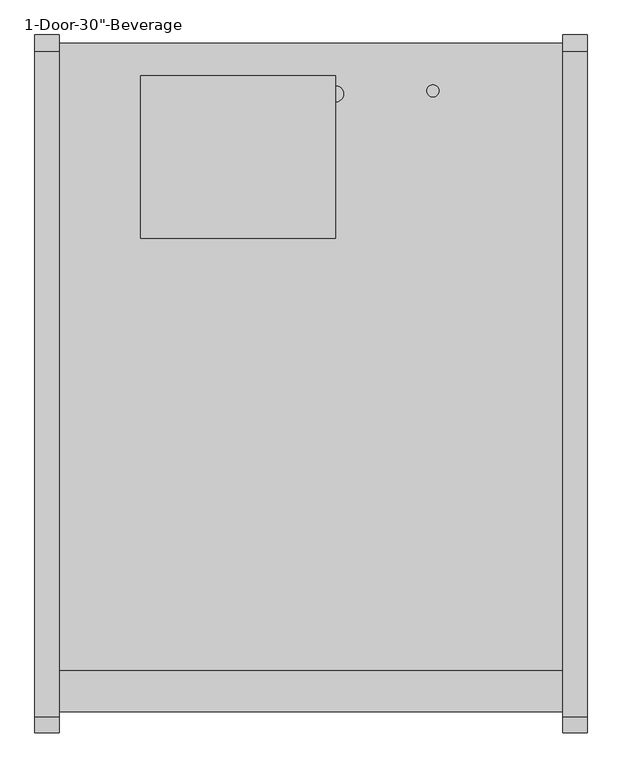
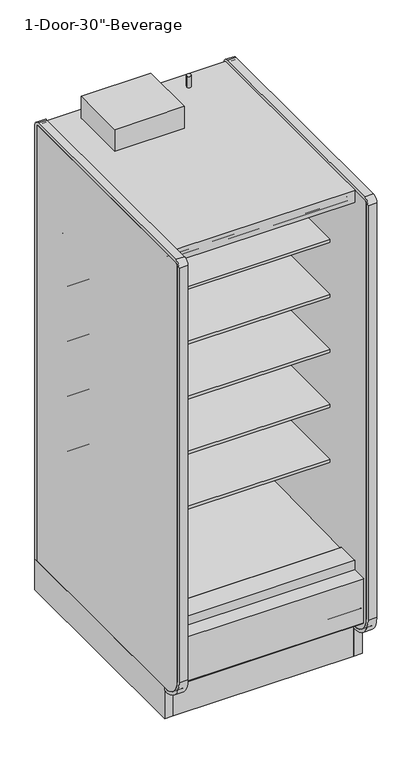
"""IFC4 building model written with IfcOpenShell, lengths in millimetres: proxy geometry."""

from ifc_helpers import new_model, si_unit, point, frame, frame_2d, origin, origin_with_axes, place, context, project, spatial, polyline, circle_curve, trimmed, segment, composite_curve, outline, extrude, source, transform, mapped, element, save
from ifc_brep_helpers import plane_surface, cylinder_surface, revolved_surface, advanced_brep


def proxy_6c9ef37e(model_context):
    return source(origin(), model_context, "Body", "SolidModel", [
        extrude(outline(polyline([(-1318.106026, 207.2507391), (-1305.4059832, 196.5941379), (-1305.4059832, 0.4239338), (-1318.106026, 0.4239338), (-1318.106026, 207.2507391)])), frame((0.0, 0.0, 0.0), z_axis=(1.0, 0.0, 0.0), x_axis=(0.0, 1.0, 0.0)), (0.0, 0.0, 1.0), 787.4),
        extrude(outline(polyline([(0.0, -76.2), (0.0, 0.0), (304.8, 0.0), (304.8, -76.2), (0.0, -76.2)])), frame((304.8, -1257.8018226, 2069.9402149), z_axis=(0.0, 0.07985742909739812, 0.9968062956351922), x_axis=(-1.0, 0.0, 0.0)), (0.0, 0.0, 1.0), 12.7),
        extrude(outline(composite_curve([segment(polyline([(-1139.652044, 788.1304004), (-1139.652044, 801.6241504), (-453.852044, 801.6241504), (-453.852044, 700.8188557), (-465.2157046, 700.5975577)]), True, "CONTINUOUS"), segment(trimmed(circle_curve(frame_2d((-465.7036503, 725.6535856)), 25.0607786), [point((-465.2157046, 700.5975577))], [point((-481.6109729, 706.2886764))], False, "CARTESIAN"), True, "CONTINUOUS"), segment(polyline([(-481.6109729, 706.2886764), (-519.8326735, 737.3719449)]), True, "CONTINUOUS"), segment(trimmed(circle_curve(frame_2d((-559.8971466, 688.1064601)), 63.5), [point((-519.8326735, 737.3719449))], [point((-553.0441372, 751.2355839))], True, "CARTESIAN"), True, "CONTINUOUS"), segment(polyline([(-553.0441372, 751.2355839), (-968.6518104, 783.846074), (-968.6518104, 788.1304004), (-1139.652044, 788.1304004)]), True, "CONTINUOUS")], self_intersect=False)), frame((0.0, 0.0, 0.0), z_axis=(1.0, 0.0, 0.0), x_axis=(0.0, 1.0, 0.0)), (0.0, 0.0, 1.0), 787.4),
        extrude(outline(composite_curve([segment(polyline([(-1139.652044, 1042.1304004), (-1139.652044, 1055.6241504), (-453.852044, 1055.6241504), (-453.852044, 954.8188557), (-465.2157046, 954.5975577)]), True, "CONTINUOUS"), segment(trimmed(circle_curve(frame_2d((-465.7036503, 979.6535856)), 25.0607786), [point((-465.2157046, 954.5975577))], [point((-481.6109729, 960.2886764))], False, "CARTESIAN"), True, "CONTINUOUS"), segment(polyline([(-481.6109729, 960.2886764), (-519.8326735, 991.3719449)]), True, "CONTINUOUS"), segment(trimmed(circle_curve(frame_2d((-559.8971466, 942.1064601)), 63.5), [point((-519.8326735, 991.3719449))], [point((-553.0441372, 1005.2355839))], True, "CARTESIAN"), True, "CONTINUOUS"), segment(polyline([(-553.0441372, 1005.2355839), (-968.6518104, 1037.846074), (-968.6518104, 1042.1304004), (-1139.652044, 1042.1304004)]), True, "CONTINUOUS")], self_intersect=False)), frame((0.0, 0.0, 0.0), z_axis=(1.0, 0.0, 0.0), x_axis=(0.0, 1.0, 0.0)), (0.0, 0.0, 1.0), 787.4),
        extrude(outline(composite_curve([segment(polyline([(-1139.652044, 1296.1304004), (-1139.652044, 1309.6241504), (-453.852044, 1309.6241504), (-453.852044, 1208.8188557), (-465.2157046, 1208.5975577)]), True, "CONTINUOUS"), segment(trimmed(circle_curve(frame_2d((-465.7036503, 1233.6535856)), 25.0607786), [point((-465.2157046, 1208.5975577))], [point((-481.6109729, 1214.2886764))], False, "CARTESIAN"), True, "CONTINUOUS"), segment(polyline([(-481.6109729, 1214.2886764), (-519.8326735, 1245.3719449)]), True, "CONTINUOUS"), segment(trimmed(circle_curve(frame_2d((-559.8971466, 1196.1064601)), 63.5), [point((-519.8326735, 1245.3719449))], [point((-553.0441372, 1259.2355839))], True, "CARTESIAN"), True, "CONTINUOUS"), segment(polyline([(-553.0441372, 1259.2355839), (-968.6518104, 1291.846074), (-968.6518104, 1296.1304004), (-1139.652044, 1296.1304004)]), True, "CONTINUOUS")], self_intersect=False)), frame((0.0, 0.0, 0.0), z_axis=(1.0, 0.0, 0.0), x_axis=(0.0, 1.0, 0.0)), (0.0, 0.0, 1.0), 787.4),
        extrude(outline(composite_curve([segment(polyline([(-1139.652044, 1550.1304004), (-1139.652044, 1563.6241504), (-453.852044, 1563.6241504), (-453.852044, 1462.8188557), (-465.2157046, 1462.5975577)]), True, "CONTINUOUS"), segment(trimmed(circle_curve(frame_2d((-465.7036503, 1487.6535856)), 25.0607786), [point((-465.2157046, 1462.5975577))], [point((-481.6109729, 1468.2886764))], False, "CARTESIAN"), True, "CONTINUOUS"), segment(polyline([(-481.6109729, 1468.2886764), (-519.8326735, 1499.3719449)]), True, "CONTINUOUS"), segment(trimmed(circle_curve(frame_2d((-559.8971466, 1450.1064601)), 63.5), [point((-519.8326735, 1499.3719449))], [point((-553.0441372, 1513.2355839))], True, "CARTESIAN"), True, "CONTINUOUS"), segment(polyline([(-553.0441372, 1513.2355839), (-968.6518104, 1545.846074), (-968.6518104, 1550.1304004), (-1139.652044, 1550.1304004)]), True, "CONTINUOUS")], self_intersect=False)), frame((0.0, 0.0, 0.0), z_axis=(1.0, 0.0, 0.0), x_axis=(0.0, 1.0, 0.0)), (0.0, 0.0, 1.0), 787.4),
        extrude(outline(composite_curve([segment(polyline([(-1179.8089716, 2076.7249354), (-1179.8089716, 2078.925392), (-1258.0451873, 2084.3962012), (-1258.0451873, 2075.9223079)]), True, "CONTINUOUS"), segment(trimmed(circle_curve(frame_2d((-1260.5851873, 2075.9223079)), 2.54), [point((-1258.0451873, 2075.9223079))], [point((-1260.5851873, 2073.3823079))], False, "CARTESIAN"), True, "CONTINUOUS"), segment(polyline([(-1260.5851873, 2073.3823079), (-1269.8053873, 2073.3823079)]), True, "CONTINUOUS"), segment(trimmed(circle_curve(frame_2d((-1269.8053873, 2075.9223079)), 2.54), [point((-1269.8053873, 2073.3823079))], [point((-1272.3453873, 2075.9223079))], False, "CARTESIAN"), True, "CONTINUOUS"), segment(polyline([(-1272.3453873, 2075.9223079), (-1272.3453873, 2092.9469554)]), True, "CONTINUOUS"), segment(trimmed(circle_curve(frame_2d((-1274.8853873, 2092.9469554)), 2.54), [point((-1272.3453873, 2092.9469554))], [point((-1274.8853873, 2095.4869554))], True, "CARTESIAN"), True, "CONTINUOUS"), segment(polyline([(-1274.8853873, 2095.4869554), (-1288.8553873, 2095.4869554)]), True, "CONTINUOUS"), segment(trimmed(circle_curve(frame_2d((-1288.8553873, 2098.0269554)), 2.54), [point((-1288.8553873, 2095.4869554))], [point((-1291.3953873, 2098.0269554))], False, "CARTESIAN"), True, "CONTINUOUS"), segment(polyline([(-1291.3953873, 2098.0269554), (-1291.3953873, 2102.7701079), (-402.3474764, 2102.7701079), (-402.3474764, 418.2554484), (-453.852044, 418.2554484), (-453.852044, 2076.7249354), (-1179.8089716, 2076.7249354)]), True, "CONTINUOUS")], self_intersect=False)), frame((0.0, 0.0, 0.0), z_axis=(1.0, 0.0, 0.0), x_axis=(0.0, 1.0, 0.0)), (0.0, 0.0, 1.0), 787.4),
        advanced_brep(
        [(787.4, -1318.106026, 204.9450868), (787.4, -1318.106026, 0.0), (787.4, -1156.1809832, 0.0), (787.4, -1156.1809832, 130.5306), (787.4, -1226.6745247, 130.5306), (787.4, -1377.1737273, 256.8144254), (787.4, -1377.1737273, 391.9982), (787.4, -1326.8776974, 391.9982), (787.4, -1326.8776974, 404.6728), (787.4, -1393.9631273, 404.6728), (787.4, -1393.9631273, 201.3982889), (787.4, -1384.4389382, 195.8985595), (787.4, -1339.6997646, 221.7199387), (0.0, -1318.106026, 204.9450868), (0.0, -1339.6997646, 221.7199387), (0.0, -1384.4389382, 195.8985595), (0.0, -1393.9631273, 201.3982889), (0.0, -1393.9631273, 404.6728), (0.0, -1326.8776974, 404.6728), (0.0, -1326.8776974, 391.9982), (0.0, -1377.1737273, 391.9982), (0.0, -1377.1737273, 256.8144254), (0.0, -1226.6745247, 130.5306), (0.0, -1156.1809832, 130.5306), (0.0, -1156.1809832, 0.0), (0.0, -1318.106026, 0.0), (677.9753763, -1301.1164467, 0.0), (677.9753763, -1203.5310315, 0.0), (363.1798722, -1203.5310315, 0.0), (363.1798722, -1301.1164467, 0.0), (677.9753763, -1301.1164467, 50.8), (677.9753763, -1203.5310315, 50.8), (363.1798722, -1203.5310315, 50.8), (363.1798722, -1301.1164467, 50.8)],
        [
            (0, 1),
            (1, 2),
            (2, 3),
            (3, 4),
            (4, 5),
            (5, 6),
            (6, 7),
            (7, 8),
            (8, 9),
            (9, 10),
            (10, 11, circle_curve(frame((787.4, -1387.6131273, 201.3982889), z_axis=(1.0, 0.0, 0.0), x_axis=(0.0, 1.0, 0.0)), 6.35)),
            (11, 12),
            (12, 0),
            (13, 14),
            (14, 15),
            (15, 16, circle_curve(frame((0.0, -1387.6131273, 201.3982889), z_axis=(-1.0, 0.0, 0.0), x_axis=(0.0, 1.0, 0.0)), 6.35)),
            (16, 17),
            (17, 18),
            (18, 19),
            (19, 20),
            (20, 21),
            (21, 22),
            (22, 23),
            (23, 24),
            (24, 25),
            (25, 13),
            (0, 13),
            (25, 1),
            (24, 2),
            (26, 27),
            (27, 28),
            (28, 29),
            (29, 26),
            (23, 3),
            (22, 4),
            (21, 5),
            (20, 6),
            (19, 7),
            (18, 8),
            (17, 9),
            (16, 10),
            (15, 11),
            (14, 12),
            (26, 30),
            (30, 31),
            (31, 27),
            (28, 32),
            (32, 33),
            (33, 29),
            (31, 32),
            (30, 33),
        ],
        [
            plane_surface(frame((787.4, -1318.106026, 0.0), z_axis=(1.0, 0.0, 0.0), x_axis=(0.0, 0.0, -1.0))),
            plane_surface(frame((0.0, -1318.106026, 0.0), z_axis=(-1.0, 0.0, 0.0), x_axis=(0.0, 0.0, 1.0))),
            plane_surface(frame((787.4, -1318.106026, 204.9450868), z_axis=(0.0, -1.0, 0.0), x_axis=(-1.0, 0.0, 0.0))),
            plane_surface(frame((787.4, -1318.106026, 0.0), z_axis=(0.0, 0.0, -1.0), x_axis=(-1.0, 0.0, 0.0))),
            plane_surface(frame((787.4, -1156.1809832, 0.0), z_axis=(0.0, 1.0, 0.0), x_axis=(-1.0, 0.0, 0.0))),
            plane_surface(frame((787.4, -1156.1809832, 130.5306), z_axis=(0.0, 0.0, 1.0), x_axis=(-1.0, 0.0, 0.0))),
            plane_surface(frame((787.4, -1226.6745247, 130.5306), z_axis=(0.0, 0.6427876096877188, 0.7660444431179884), x_axis=(-1.0, 0.0, 0.0))),
            plane_surface(frame((787.4, -1377.1737273, 256.8144254), z_axis=(0.0, 1.0, 0.0), x_axis=(-1.0, 0.0, 0.0))),
            plane_surface(frame((787.4, -1377.1737273, 391.9982), z_axis=(0.0, 0.0, -1.0), x_axis=(-1.0, 0.0, 0.0))),
            plane_surface(frame((787.4, -1326.8776974, 391.9982), z_axis=(0.0, 1.0, 0.0), x_axis=(-1.0, 0.0, 0.0))),
            plane_surface(frame((787.4, -1326.8776974, 404.6728), z_axis=(0.0, 0.0, 1.0), x_axis=(-1.0, 0.0, 0.0))),
            plane_surface(frame((787.4, -1393.9631273, 404.6728), z_axis=(0.0, -1.0, 0.0), x_axis=(-1.0, 0.0, 0.0))),
            cylinder_surface(frame((0.0, -1387.6131273, 201.3982889), z_axis=(1.0, 0.0, 0.0), x_axis=(0.0, 1.0, 0.0)), 6.35),
            plane_surface(frame((787.4, -1384.4389382, 195.8985595), z_axis=(0.0, 0.4998723022013517, -0.8660991175910068), x_axis=(-1.0, 0.0, 0.0))),
            plane_surface(frame((787.4, -1339.6997646, 221.7199387), z_axis=(0.0, -0.6134784338805639, -0.7897114733644501), x_axis=(-1.0, 0.0, 0.0))),
            plane_surface(frame((677.9753763, -1207.3278954, 0.0), z_axis=(-1.0, 0.0, 0.0), x_axis=(0.0, 1.0, 0.0))),
            plane_surface(frame((363.1798722, -1207.3278954, 0.0), z_axis=(1.0, 0.0, 0.0), x_axis=(0.0, -1.0, 0.0))),
            plane_surface(frame((677.9753763, -1203.5310315, 0.0), z_axis=(0.0, -1.0, 0.0), x_axis=(-1.0, 0.0, 0.0))),
            plane_surface(frame((677.9753763, -1203.5310315, 50.8), z_axis=(0.0, 0.0, -1.0), x_axis=(-1.0, 0.0, 0.0))),
            plane_surface(frame((677.9753763, -1301.1164467, 50.8), z_axis=(0.0, 1.0, 0.0), x_axis=(-1.0, 0.0, 0.0))),
        ],
        [
            (0, [[1, 2, 3, 4, 5, 6, 7, 8, 9, 10, 11, 12, 13]]),
            (1, [[14, 15, 16, 17, 18, 19, 20, 21, 22, 23, 24, 25, 26]]),
            (2, [[-1, 27, -26, 28]]),
            (3, [[-2, -28, -25, 29], [30, 31, 32, 33]]),
            (4, [[-3, -29, -24, 34]]),
            (5, [[-4, -34, -23, 35]]),
            (6, [[-5, -35, -22, 36]]),
            (7, [[-6, -36, -21, 37]]),
            (8, [[-7, -37, -20, 38]]),
            (9, [[-8, -38, -19, 39]]),
            (10, [[-9, -39, -18, 40]]),
            (11, [[-10, -40, -17, 41]]),
            (12, [[-11, -41, -16, 42]]),
            (13, [[-12, -42, -15, 43]]),
            (14, [[-13, -43, -14, -27]]),
            (15, [[44, 45, 46, -30]]),
            (16, [[47, 48, 49, -32]]),
            (17, [[-46, 50, -47, -31]]),
            (18, [[-45, 51, -48, -50]]),
            (19, [[-44, -33, -49, -51]]),
        ],
    ),
        extrude(outline(composite_curve([segment(trimmed(circle_curve(frame_2d((354.0125, 711.2)), 12.7), [point((341.3125, 711.2))], [point((366.7125, 711.2))], False, "CARTESIAN"), True, "CONTINUOUS"), segment(trimmed(circle_curve(frame_2d((354.0125, 711.2)), 12.7), [point((366.7125, 711.2))], [point((341.3125, 711.2))], False, "CARTESIAN"), True, "CONTINUOUS")], self_intersect=False)), frame((0.0, -399.8071273, 0.0), z_axis=(0.0, 1.0, 0.0), x_axis=(0.0, 0.0, 1.0)), (0.0, 0.0, 1.0), 50.8),
        extrude(outline(composite_curve([segment(trimmed(circle_curve(frame_2d((354.0125, 660.4)), 9.525), [point((344.4875, 660.4))], [point((363.5375, 660.4))], False, "CARTESIAN"), True, "CONTINUOUS"), segment(trimmed(circle_curve(frame_2d((354.0125, 660.4)), 9.525), [point((363.5375, 660.4))], [point((344.4875, 660.4))], False, "CARTESIAN"), True, "CONTINUOUS")], self_intersect=False)), frame((0.0, -399.8071273, 0.0), z_axis=(0.0, 1.0, 0.0), x_axis=(0.0, 0.0, 1.0)), (0.0, 0.0, 1.0), 50.8),
        advanced_brep(
        [(787.4, -349.0071273, 130.5306), (787.4, -349.0071273, 2159.0692079), (787.4, -1328.759197, 2159.0692079), (787.4, -1328.759197, 2102.7701079), (787.4, -402.3474764, 2102.7701079), (787.4, -402.3474764, 358.6596808), (787.4, -549.3331942, 211.7249958), (787.4, -991.2928374, 196.2548056), (787.4, -1033.515372, 165.5831237), (787.4, -1035.4689267, 165.5149041), (787.4, -1048.6488905, 157.9054484), (787.4, -1108.9738905, 157.9054484), (787.4, -1117.2097949, 162.6604501), (787.4, -1119.3438463, 162.5859274), (787.4, -1169.010644, 190.034038), (787.4, -1325.2901974, 342.4428), (787.4, -1325.2901974, 391.9982), (787.4, -1377.1737273, 391.9982), (787.4, -1377.1737273, 256.8144254), (787.4, -1226.6745247, 130.5306), (0.0, -349.0071273, 130.5306), (0.0, -1226.6745247, 130.5306), (0.0, -1377.1737273, 256.8144254), (0.0, -1377.1737273, 391.9982), (0.0, -1325.2901974, 391.9982), (0.0, -1325.2901974, 342.4428), (0.0, -1169.010644, 190.034038), (0.0, -1119.3438463, 162.5859274), (0.0, -1117.2097949, 162.6604501), (0.0, -1108.9738905, 157.9054484), (0.0, -1048.6488905, 157.9054484), (0.0, -1035.4689267, 165.5149041), (0.0, -1033.515372, 165.5831237), (0.0, -991.2928374, 196.2548056), (0.0, -549.3331942, 211.7249958), (0.0, -402.3474764, 358.6596808), (0.0, -402.3474764, 2102.7701079), (0.0, -1328.759197, 2102.7701079), (0.0, -1328.759197, 2159.0692079), (0.0, -349.0071273, 2159.0692079), (685.8, -349.0071273, 303.2125), (685.8, -349.0071273, 404.8125), (685.8, -399.8071273, 404.8125), (685.8, -399.8071273, 303.2125)],
        [
            (0, 1),
            (1, 2),
            (2, 3),
            (3, 4),
            (4, 5),
            (5, 6, circle_curve(frame((787.4, -554.6779329, 364.0573175), z_axis=(-1.0, 0.0, 0.0), x_axis=(0.0, 1.0, 0.0)), 152.4260557)),
            (6, 7),
            (7, 8),
            (8, 9),
            (9, 10),
            (10, 11),
            (11, 12),
            (12, 13),
            (13, 14),
            (14, 15, circle_curve(frame((787.4, -1174.2931139, 340.9461144), z_axis=(-1.0, 0.0, 0.0), x_axis=(0.0, 1.0, 0.0)), 151.0045009)),
            (15, 16),
            (16, 17),
            (17, 18),
            (18, 19),
            (19, 0),
            (20, 21),
            (21, 22),
            (22, 23),
            (23, 24),
            (24, 25),
            (25, 26, circle_curve(frame((0.0, -1174.2931139, 340.9461144), z_axis=(1.0, 0.0, 0.0), x_axis=(0.0, 1.0, 0.0)), 151.0045009)),
            (26, 27),
            (27, 28),
            (28, 29),
            (29, 30),
            (30, 31),
            (31, 32),
            (32, 33),
            (33, 34),
            (34, 35, circle_curve(frame((0.0, -554.6779329, 364.0573175), z_axis=(1.0, 0.0, 0.0), x_axis=(0.0, 1.0, 0.0)), 152.4260557)),
            (35, 36),
            (36, 37),
            (37, 38),
            (38, 39),
            (39, 20),
            (0, 20),
            (39, 1),
            (40, 41, circle_curve(frame((685.8, -349.0071273, 354.0125), z_axis=(0.0, -1.0, 0.0), x_axis=(0.0, 0.0, -1.0)), 50.8)),
            (41, 40, circle_curve(frame((685.8, -349.0071273, 354.0125), z_axis=(0.0, -1.0, 0.0), x_axis=(0.0, 0.0, -1.0)), 50.8)),
            (38, 2),
            (37, 3),
            (36, 4),
            (6, 34),
            (33, 7),
            (32, 8),
            (31, 9),
            (30, 10),
            (29, 11),
            (28, 12),
            (27, 13),
            (26, 14),
            (25, 15),
            (24, 16),
            (23, 17),
            (22, 18),
            (21, 19),
            (35, 5),
            (42, 43, circle_curve(frame((685.8, -399.8071273, 354.0125), z_axis=(0.0, 1.0, 0.0), x_axis=(0.0, 0.0, -1.0)), 50.8)),
            (43, 42, circle_curve(frame((685.8, -399.8071273, 354.0125), z_axis=(0.0, 1.0, 0.0), x_axis=(0.0, 0.0, -1.0)), 50.8)),
            (42, 41),
            (40, 43),
        ],
        [
            plane_surface(frame((787.4, -349.0071273, 2154.3067079), z_axis=(1.0, 0.0, 0.0), x_axis=(0.0, 0.0, 1.0))),
            plane_surface(frame((0.0, -349.0071273, 2154.3067079), z_axis=(-1.0, 0.0, 0.0), x_axis=(0.0, 0.0, -1.0))),
            plane_surface(frame((787.4, -349.0071273, 130.5306), z_axis=(0.0, 1.0, 0.0), x_axis=(-1.0, 0.0, 0.0))),
            plane_surface(frame((787.4, -349.0071273, 2159.0692079), z_axis=(0.0, 0.0, 1.0), x_axis=(-1.0, 0.0, 0.0))),
            plane_surface(frame((787.4, -1328.759197, 2159.0692079), z_axis=(0.0, -1.0, 0.0), x_axis=(-1.0, 0.0, 0.0))),
            plane_surface(frame((787.4, -1328.759197, 2102.7701079), z_axis=(0.0, 0.0, -1.0), x_axis=(-1.0, 0.0, 0.0))),
            plane_surface(frame((787.4, -549.3331942, 211.7249958), z_axis=(0.0, -0.03498220179415916, 0.9993879354673203), x_axis=(-1.0, 0.0, 0.0))),
            plane_surface(frame((787.4, -991.2928374, 196.2548056), z_axis=(0.0, -0.5877252382161511, 0.8090605937528836), x_axis=(-1.0, 0.0, 0.0))),
            plane_surface(frame((787.4, -1033.515372, 165.5831237), z_axis=(0.0, -0.034899496717989933, 0.9993908270185549), x_axis=(-1.0, 0.0, 0.0))),
            plane_surface(frame((787.4, -1035.4689267, 165.5149041), z_axis=(0.0, -0.5000000000128472, 0.8660254037770214), x_axis=(-1.0, 0.0, 0.0))),
            plane_surface(frame((787.4, -1048.6488905, 157.9054484), z_axis=(0.0, 0.0, 1.0), x_axis=(-1.0, 0.0, 0.0))),
            plane_surface(frame((787.4, -1108.9738905, 157.9054484), z_axis=(0.0, 0.49999999998692984, 0.8660254037919848), x_axis=(-1.0, 0.0, 0.0))),
            plane_surface(frame((787.4, -1117.2097949, 162.6604501), z_axis=(0.0, -0.03489949671806632, 0.9993908270185522), x_axis=(-1.0, 0.0, 0.0))),
            plane_surface(frame((787.4, -1119.3438463, 162.5859274), z_axis=(0.0, 0.483695152932422, 0.8752365389023021), x_axis=(-1.0, 0.0, 0.0))),
            revolved_surface(polyline([(0.0, -1023.2886129999999, 340.9461144), (787.4, -1023.2886129999999, 340.9461144)]), (0.0, -1174.2931139, 340.9461144), (-1.0, 0.0, 0.0)),
            plane_surface(frame((787.4, -1325.2901974, 342.4428), z_axis=(0.0, 1.0, 0.0), x_axis=(-1.0, 0.0, 0.0))),
            plane_surface(frame((787.4, -1325.2901974, 391.9982), z_axis=(0.0, 0.0, 1.0), x_axis=(-1.0, 0.0, 0.0))),
            plane_surface(frame((787.4, -1377.1737273, 391.9982), z_axis=(0.0, -1.0, 0.0), x_axis=(-1.0, 0.0, 0.0))),
            plane_surface(frame((787.4, -1377.1737273, 256.8144254), z_axis=(0.0, -0.6427876096877191, -0.7660444431179881), x_axis=(-1.0, 0.0, 0.0))),
            plane_surface(frame((787.4, -1226.6745247, 130.5306), z_axis=(0.0, 0.0, -1.0), x_axis=(-1.0, 0.0, 0.0))),
            plane_surface(frame((787.4, -402.3474764, 2102.7701079), z_axis=(0.0, -1.0, 0.0), x_axis=(-1.0, 0.0, 0.0))),
            revolved_surface(polyline([(0.0, -402.25187719999997, 364.0573175), (787.4, -402.25187719999997, 364.0573175)]), (0.0, -554.6779329, 364.0573175), (-1.0, 0.0, 0.0)),
            plane_surface(frame((685.8, -399.8071273, 303.2125), z_axis=(0.0, 1.0, 0.0), x_axis=(1.0, 0.0, 0.0))),
            revolved_surface(polyline([(685.8, -349.0071273, 303.2125), (685.8, -399.8071273, 303.2125)]), (685.8, -399.8071273, 354.0125), (0.0, 1.0, 0.0)),
        ],
        [
            (0, [[1, 2, 3, 4, 5, 6, 7, 8, 9, 10, 11, 12, 13, 14, 15, 16, 17, 18, 19, 20]]),
            (1, [[21, 22, 23, 24, 25, 26, 27, 28, 29, 30, 31, 32, 33, 34, 35, 36, 37, 38, 39, 40]]),
            (2, [[-1, 41, -40, 42], [43, 44]]),
            (3, [[-2, -42, -39, 45]]),
            (4, [[-3, -45, -38, 46]]),
            (5, [[-4, -46, -37, 47]]),
            (6, [[-7, 48, -34, 49]]),
            (7, [[-8, -49, -33, 50]]),
            (8, [[-9, -50, -32, 51]]),
            (9, [[-10, -51, -31, 52]]),
            (10, [[-11, -52, -30, 53]]),
            (11, [[-12, -53, -29, 54]]),
            (12, [[-13, -54, -28, 55]]),
            (13, [[-14, -55, -27, 56]]),
            (14, [[-15, -56, -26, 57]]),
            (15, [[-16, -57, -25, 58]]),
            (16, [[-17, -58, -24, 59]]),
            (17, [[-18, -59, -23, 60]]),
            (18, [[-19, -60, -22, 61]]),
            (19, [[-20, -61, -21, -41]]),
            (20, [[-5, -47, -36, 62]]),
            (21, [[-6, -62, -35, -48]]),
            (22, [[63, 64]]),
            (23, [[-63, 65, -43, 66]]),
            (23, [[-64, -66, -44, -65]]),
        ],
    ),
        advanced_brep(
        [(787.4, -349.0071273, 0.0), (787.4, -349.0071273, 130.5306), (787.4, -1156.1809832, 130.5306), (787.4, -1156.1809832, 0.0), (787.4, -1108.6576273, 0.0), (787.4, -1108.6576273, 74.8810382), (787.4, -394.2191273, 74.8810382), (787.4, -394.2191273, 0.0), (0.0, -349.0071273, 0.0), (0.0, -394.2191273, 0.0), (0.0, -394.2191273, 74.8810382), (0.0, -1108.6576273, 74.8810382), (0.0, -1108.6576273, 0.0), (0.0, -1156.1809832, 0.0), (0.0, -1156.1809832, 130.5306), (0.0, -349.0071273, 130.5306), (357.6092567, -1108.6576273, 74.8810382), (357.6092567, -1108.6576273, 127.0), (429.7907433, -1108.6576273, 127.0), (429.7907433, -1108.6576273, 74.8810382), (527.7570331, -1108.6576273, 74.8810382), (527.7570331, -1108.6576273, 127.0), (605.7179669, -1108.6576273, 127.0), (605.7179669, -1108.6576273, 74.8810382)],
        [
            (0, 1),
            (1, 2),
            (2, 3),
            (3, 4),
            (4, 5),
            (5, 6),
            (6, 7),
            (7, 0),
            (8, 9),
            (9, 10),
            (10, 11),
            (11, 12),
            (12, 13),
            (13, 14),
            (14, 15),
            (15, 8),
            (0, 8),
            (15, 1),
            (4, 12),
            (11, 16),
            (16, 17),
            (17, 18),
            (18, 19),
            (19, 20),
            (20, 21),
            (21, 22),
            (22, 23),
            (23, 5),
            (23, 20, circle_curve(frame((566.7375, -1076.0821273, 74.8810382), z_axis=(0.0, 0.0, 1.0), x_axis=(1.0, 0.0, 0.0)), 50.8)),
            (19, 16, circle_curve(frame((393.7, -1072.9071273, 74.8810382), z_axis=(0.0, 0.0, 1.0), x_axis=(1.0, 0.0, 0.0)), 50.8)),
            (10, 6),
            (9, 7),
            (17, 18, circle_curve(frame((393.7, -1072.9071273, 127.0), z_axis=(0.0, 0.0, -1.0), x_axis=(1.0, 0.0, 0.0)), 50.8)),
            (21, 22, circle_curve(frame((566.7375, -1076.0821273, 127.0), z_axis=(0.0, 0.0, -1.0), x_axis=(1.0, 0.0, 0.0)), 50.8)),
            (14, 2),
            (13, 3),
        ],
        [
            plane_surface(frame((787.4, -349.0071273, 2438.4), z_axis=(1.0, 0.0, 0.0), x_axis=(0.0, 0.0, 1.0))),
            plane_surface(frame((0.0, -349.0071273, 2438.4), z_axis=(-1.0, 0.0, 0.0), x_axis=(0.0, 0.0, -1.0))),
            plane_surface(frame((787.4, -349.0071273, 0.0), z_axis=(0.0, 1.0, 0.0), x_axis=(-1.0, 0.0, 0.0))),
            plane_surface(frame((787.4, -1108.6576273, 0.0), z_axis=(0.0, 1.0, 0.0), x_axis=(-1.0, 0.0, 0.0))),
            plane_surface(frame((787.4, -1108.6576273, 74.8810382), z_axis=(0.0, 0.0, -1.0), x_axis=(-1.0, 0.0, 0.0))),
            plane_surface(frame((787.4, -394.2191273, 74.8810382), z_axis=(0.0, -1.0, 0.0), x_axis=(-1.0, 0.0, 0.0))),
            plane_surface(frame((787.4, -394.2191273, 0.0), z_axis=(0.0, 0.0, -1.0), x_axis=(-1.0, 0.0, 0.0))),
            plane_surface(frame((429.7907433, -1108.6576273, 127.0), z_axis=(0.0, 0.0, -1.0), x_axis=(1.0, 0.0, 0.0))),
            revolved_surface(polyline([(444.5, -1072.9071273, 127.0), (444.5, -1072.9071273, 74.8810382)]), (393.7, -1072.9071273, 0.0), (0.0, 0.0, 1.0)),
            plane_surface(frame((605.7179669, -1108.6576273, 127.0), z_axis=(0.0, 0.0, -1.0), x_axis=(1.0, 0.0, 0.0))),
            revolved_surface(polyline([(617.5374999999999, -1076.0821273, 127.0), (617.5374999999999, -1076.0821273, 74.8810382)]), (566.7375, -1076.0821273, 0.0), (0.0, 0.0, 1.0)),
            plane_surface(frame((787.4, -349.0071273, 130.5306), z_axis=(0.0, 0.0, 1.0), x_axis=(-1.0, 0.0, 0.0))),
            plane_surface(frame((787.4, -1156.1809832, 130.5306), z_axis=(0.0, -1.0, 0.0), x_axis=(-1.0, 0.0, 0.0))),
            plane_surface(frame((787.4, -1156.1809832, 0.0), z_axis=(0.0, 0.0, -1.0), x_axis=(-1.0, 0.0, 0.0))),
        ],
        [
            (0, [[1, 2, 3, 4, 5, 6, 7, 8]]),
            (1, [[9, 10, 11, 12, 13, 14, 15, 16]]),
            (2, [[-1, 17, -16, 18]]),
            (3, [[-5, 19, -12, 20, 21, 22, 23, 24, 25, 26, 27, 28]]),
            (4, [[-6, -28, 29, -24, 30, -20, -11, 31]]),
            (5, [[-7, -31, -10, 32]]),
            (6, [[-8, -32, -9, -17]]),
            (7, [[33, -22]]),
            (8, [[-33, -21, -30, -23]]),
            (9, [[34, -26]]),
            (10, [[-34, -25, -29, -27]]),
            (11, [[-2, -18, -15, 35]]),
            (12, [[-3, -35, -14, 36]]),
            (13, [[-19, -4, -36, -13]]),
        ],
    ),
        extrude(outline(composite_curve([segment(polyline([(-1139.652044, 1803.3473276), (-1139.652044, 1816.8410776), (-453.852044, 1816.8410776), (-453.852044, 1716.035783), (-465.2157046, 1715.814485)]), True, "CONTINUOUS"), segment(trimmed(circle_curve(frame_2d((-465.7036503, 1740.8705128)), 25.0607786), [point((-465.2157046, 1715.814485))], [point((-481.6109729, 1721.5056036))], False, "CARTESIAN"), True, "CONTINUOUS"), segment(polyline([(-481.6109729, 1721.5056036), (-519.8326735, 1752.5888722)]), True, "CONTINUOUS"), segment(trimmed(circle_curve(frame_2d((-559.8971466, 1703.3233874)), 63.5), [point((-519.8326735, 1752.5888722))], [point((-553.0441372, 1766.4525111))], True, "CARTESIAN"), True, "CONTINUOUS"), segment(polyline([(-553.0441372, 1766.4525111), (-968.6518104, 1799.0630012), (-968.6518104, 1803.3473276), (-1139.652044, 1803.3473276)]), True, "CONTINUOUS")], self_intersect=False)), frame((0.0, 0.0, 0.0), z_axis=(1.0, 0.0, 0.0), x_axis=(0.0, 1.0, 0.0)), (0.0, 0.0, 1.0), 787.4),
        extrude(outline(polyline([(431.8, -399.8071273), (431.8, -653.8071273), (127.0, -653.8071273), (127.0, -399.8071273), (431.8, -399.8071273)])), frame((0.0, 0.0, 2159.6880358), z_axis=(0.0, 0.0, 1.0), x_axis=(1.0, 0.0, 0.0)), (0.0, 0.0, 1.0), 100.8085772),
        extrude(outline(composite_curve([segment(polyline([(-453.852044, 452.2592331), (-453.852044, 418.2554484), (-402.3474764, 418.2554484), (-402.3474764, 358.6596808)]), True, "CONTINUOUS"), segment(trimmed(circle_curve(frame_2d((-554.6779329, 364.0573175)), 152.4260557), [point((-402.3474764, 358.6596808))], [point((-549.3331942, 211.7249958))], False, "CARTESIAN"), True, "CONTINUOUS"), segment(polyline([(-549.3331942, 211.7249958), (-991.2928374, 196.2548056), (-1033.515372, 165.5831237), (-1035.4689267, 165.5149041), (-1048.6488905, 157.9054484), (-1108.9738905, 157.9054484), (-1117.2097949, 162.6604501), (-1119.3438463, 162.5859274), (-1169.010644, 190.034038)]), True, "CONTINUOUS"), segment(trimmed(circle_curve(frame_2d((-1174.2931139, 340.9461144)), 151.0045009), [point((-1169.010644, 190.034038))], [point((-1325.2901974, 342.4428))], False, "CARTESIAN"), True, "CONTINUOUS"), segment(polyline([(-1325.2901974, 342.4428), (-1325.2901974, 391.9982), (-1326.8776974, 391.9982), (-1326.8776974, 447.5353), (-1227.4661273, 447.5353)]), True, "CONTINUOUS"), segment(trimmed(circle_curve(frame_2d((-1227.4661273, 445.4779)), 2.0574), [point((-1227.4661273, 447.5353))], [point((-1225.4087273, 445.4779))], False, "CARTESIAN"), True, "CONTINUOUS"), segment(polyline([(-1225.4087273, 445.4779), (-1225.4087273, 438.3756667), (-453.852044, 452.2592331)]), True, "CONTINUOUS")], self_intersect=False)), frame((0.0, 0.0, 0.0), z_axis=(1.0, 0.0, 0.0), x_axis=(0.0, 1.0, 0.0)), (0.0, 0.0, 1.0), 787.4),
        extrude(outline(composite_curve([segment(trimmed(circle_curve(frame_2d((584.2, -423.7684604)), 9.525), [point((574.675, -423.7684604))], [point((593.725, -423.7684604))], False, "CARTESIAN"), True, "CONTINUOUS"), segment(trimmed(circle_curve(frame_2d((584.2, -423.7684604)), 9.525), [point((593.725, -423.7684604))], [point((574.675, -423.7684604))], False, "CARTESIAN"), True, "CONTINUOUS")], self_intersect=False)), frame((0.0, 0.0, 2160.6567079), z_axis=(0.0, 0.0, 1.0), x_axis=(1.0, 0.0, 0.0)), (0.0, 0.0, 1.0), 50.8),
        extrude(outline(composite_curve([segment(trimmed(circle_curve(frame_2d((431.8, -428.3821273)), 12.7), [point((419.1, -428.3821273))], [point((444.5, -428.3821273))], False, "CARTESIAN"), True, "CONTINUOUS"), segment(trimmed(circle_curve(frame_2d((431.8, -428.3821273)), 12.7), [point((444.5, -428.3821273))], [point((419.1, -428.3821273))], False, "CARTESIAN"), True, "CONTINUOUS")], self_intersect=False)), frame((0.0, 0.0, 2160.6567079), z_axis=(0.0, 0.0, 1.0), x_axis=(1.0, 0.0, 0.0)), (0.0, 0.0, 1.0), 50.8),
        extrude(outline(composite_curve([segment(trimmed(circle_curve(frame_2d((-1325.3196273, 232.1306)), 88.9), [point((-1414.2196273, 232.1306))], [point((-1325.3196273, 143.2306))], True, "CARTESIAN"), True, "CONTINUOUS"), segment(polyline([(-1325.3196273, 143.2306), (-1318.106026, 143.2306), (-1318.106026, 130.7870064)]), True, "CONTINUOUS"), segment(trimmed(circle_curve(frame_2d((-1325.3196273, 232.1306)), 101.6), [point((-1318.106026, 130.7870064))], [point((-1426.9196273, 232.1306))], False, "CARTESIAN"), True, "CONTINUOUS"), segment(polyline([(-1426.9196273, 232.1306), (-1426.9196273, 2146.3692079)]), True, "CONTINUOUS"), segment(trimmed(circle_curve(frame_2d((-1401.5196273, 2146.3692079)), 25.4), [point((-1426.9196273, 2146.3692079))], [point((-1401.5196273, 2171.7692079))], False, "CARTESIAN"), True, "CONTINUOUS"), segment(polyline([(-1401.5196273, 2171.7692079), (-361.7071273, 2171.7692079)]), True, "CONTINUOUS"), segment(trimmed(circle_curve(frame_2d((-361.7071273, 2146.3692079)), 25.4), [point((-361.7071273, 2171.7692079))], [point((-336.3071273, 2146.3692079))], False, "CARTESIAN"), True, "CONTINUOUS"), segment(polyline([(-336.3071273, 2146.3692079), (-336.3071273, 143.2306), (-349.0071273, 143.2306), (-349.0071273, 2146.3692079)]), True, "CONTINUOUS"), segment(trimmed(circle_curve(frame_2d((-361.7071273, 2146.3692079)), 12.7), [point((-349.0071273, 2146.3692079))], [point((-361.7071273, 2159.0692079))], True, "CARTESIAN"), True, "CONTINUOUS"), segment(polyline([(-361.7071273, 2159.0692079), (-1401.5196273, 2159.0692079)]), True, "CONTINUOUS"), segment(trimmed(circle_curve(frame_2d((-1401.5196273, 2146.3692079)), 12.7), [point((-1401.5196273, 2159.0692079))], [point((-1414.2196273, 2146.3692079))], True, "CARTESIAN"), True, "CONTINUOUS"), segment(polyline([(-1414.2196273, 2146.3692079), (-1414.2196273, 232.1306)]), True, "CONTINUOUS")], self_intersect=False)), frame((787.4, 0.0, 0.0), z_axis=(1.0, 0.0, 0.0), x_axis=(0.0, 1.0, 0.0)), (0.0, 0.0, 1.0), 38.1),
        extrude(outline(polyline([(825.5, -336.3071273), (825.5, -1318.106026), (787.4, -1318.106026), (787.4, -336.3071273), (825.5, -336.3071273)])), origin_with_axes(), (0.0, 0.0, 1.0), 143.2306),
        extrude(outline(composite_curve([segment(polyline([(-1414.2196273, 232.1306), (-1414.2196273, 2146.3692079)]), True, "CONTINUOUS"), segment(trimmed(circle_curve(frame_2d((-1401.5196273, 2146.3692079)), 12.7), [point((-1414.2196273, 2146.3692079))], [point((-1401.5196273, 2159.0692079))], False, "CARTESIAN"), True, "CONTINUOUS"), segment(polyline([(-1401.5196273, 2159.0692079), (-361.7071273, 2159.0692079)]), True, "CONTINUOUS"), segment(trimmed(circle_curve(frame_2d((-361.7071273, 2146.3692079)), 12.7), [point((-361.7071273, 2159.0692079))], [point((-349.0071273, 2146.3692079))], False, "CARTESIAN"), True, "CONTINUOUS"), segment(polyline([(-349.0071273, 2146.3692079), (-349.0071273, 143.2306), (-1325.3196273, 143.2306)]), True, "CONTINUOUS"), segment(trimmed(circle_curve(frame_2d((-1325.3196273, 232.1306)), 88.9), [point((-1325.3196273, 143.2306))], [point((-1414.2196273, 232.1306))], False, "CARTESIAN"), True, "CONTINUOUS")], self_intersect=False)), frame((787.4, 0.0, 0.0), z_axis=(1.0, 0.0, 0.0), x_axis=(0.0, 1.0, 0.0)), (0.0, 0.0, 1.0), 38.1),
        extrude(outline(composite_curve([segment(trimmed(circle_curve(frame_2d((-1325.3196273, 232.1306)), 88.9), [point((-1414.2196273, 232.1306))], [point((-1325.3196273, 143.2306))], True, "CARTESIAN"), True, "CONTINUOUS"), segment(polyline([(-1325.3196273, 143.2306), (-1318.106026, 143.2306), (-1318.106026, 130.7870064)]), True, "CONTINUOUS"), segment(trimmed(circle_curve(frame_2d((-1325.3196273, 232.1306)), 101.6), [point((-1318.106026, 130.7870064))], [point((-1426.9196273, 232.1306))], False, "CARTESIAN"), True, "CONTINUOUS"), segment(polyline([(-1426.9196273, 232.1306), (-1426.9196273, 2146.3692079)]), True, "CONTINUOUS"), segment(trimmed(circle_curve(frame_2d((-1401.5196273, 2146.3692079)), 25.4), [point((-1426.9196273, 2146.3692079))], [point((-1401.5196273, 2171.7692079))], False, "CARTESIAN"), True, "CONTINUOUS"), segment(polyline([(-1401.5196273, 2171.7692079), (-361.7071273, 2171.7692079)]), True, "CONTINUOUS"), segment(trimmed(circle_curve(frame_2d((-361.7071273, 2146.3692079)), 25.4), [point((-361.7071273, 2171.7692079))], [point((-336.3071273, 2146.3692079))], False, "CARTESIAN"), True, "CONTINUOUS"), segment(polyline([(-336.3071273, 2146.3692079), (-336.3071273, 143.2306), (-349.0071273, 143.2306), (-349.0071273, 2146.3692079)]), True, "CONTINUOUS"), segment(trimmed(circle_curve(frame_2d((-361.7071273, 2146.3692079)), 12.7), [point((-349.0071273, 2146.3692079))], [point((-361.7071273, 2159.0692079))], True, "CARTESIAN"), True, "CONTINUOUS"), segment(polyline([(-361.7071273, 2159.0692079), (-1401.5196273, 2159.0692079)]), True, "CONTINUOUS"), segment(trimmed(circle_curve(frame_2d((-1401.5196273, 2146.3692079)), 12.7), [point((-1401.5196273, 2159.0692079))], [point((-1414.2196273, 2146.3692079))], True, "CARTESIAN"), True, "CONTINUOUS"), segment(polyline([(-1414.2196273, 2146.3692079), (-1414.2196273, 232.1306)]), True, "CONTINUOUS")], self_intersect=False)), frame((-38.1, 0.0, 0.0), z_axis=(1.0, 0.0, 0.0), x_axis=(0.0, 1.0, 0.0)), (0.0, 0.0, 1.0), 38.1),
        extrude(outline(polyline([(673.1, -1207.3278954), (673.1, -1296.2278954), (368.3, -1296.2278954), (368.3, -1207.3278954), (673.1, -1207.3278954)])), frame((0.0, 0.0, 44.45), z_axis=(0.0, 0.0, 1.0), x_axis=(1.0, 0.0, 0.0)), (0.0, 0.0, 1.0), 6.35),
        extrude(outline(polyline([(0.0, -336.3071273), (0.0, -1318.106026), (-38.1, -1318.106026), (-38.1, -336.3071273), (0.0, -336.3071273)])), origin_with_axes(), (0.0, 0.0, 1.0), 143.2306),
        extrude(outline(composite_curve([segment(trimmed(circle_curve(frame_2d((393.7, -1072.9071273)), 38.1), [point((355.6, -1072.9071273))], [point((431.8, -1072.9071273))], False, "CARTESIAN"), True, "CONTINUOUS"), segment(trimmed(circle_curve(frame_2d((393.7, -1072.9071273)), 38.1), [point((431.8, -1072.9071273))], [point((355.6, -1072.9071273))], False, "CARTESIAN"), True, "CONTINUOUS")], self_intersect=False)), frame((0.0, 0.0, 61.2666507), z_axis=(0.0, 0.0, 1.0), x_axis=(1.0, 0.0, 0.0)), (0.0, 0.0, 1.0), 65.7333493),
        extrude(outline(composite_curve([segment(trimmed(circle_curve(frame_2d((592.1375, -1076.0821273)), 12.7), [point((579.4375, -1076.0821273))], [point((604.8375, -1076.0821273))], False, "CARTESIAN"), True, "CONTINUOUS"), segment(trimmed(circle_curve(frame_2d((592.1375, -1076.0821273)), 12.7), [point((604.8375, -1076.0821273))], [point((579.4375, -1076.0821273))], False, "CARTESIAN"), True, "CONTINUOUS")], self_intersect=False)), frame((0.0, 0.0, 61.2666507), z_axis=(0.0, 0.0, 1.0), x_axis=(1.0, 0.0, 0.0)), (0.0, 0.0, 1.0), 65.7333493),
        extrude(outline(composite_curve([segment(trimmed(circle_curve(frame_2d((541.3375, -1076.0821273)), 9.525), [point((531.8125, -1076.0821273))], [point((550.8625, -1076.0821273))], False, "CARTESIAN"), True, "CONTINUOUS"), segment(trimmed(circle_curve(frame_2d((541.3375, -1076.0821273)), 9.525), [point((550.8625, -1076.0821273))], [point((531.8125, -1076.0821273))], False, "CARTESIAN"), True, "CONTINUOUS")], self_intersect=False)), frame((0.0, 0.0, 61.2666507), z_axis=(0.0, 0.0, 1.0), x_axis=(1.0, 0.0, 0.0)), (0.0, 0.0, 1.0), 65.7333493),
        extrude(outline(composite_curve([segment(polyline([(-1414.2196273, 232.1306), (-1414.2196273, 2146.3692079)]), True, "CONTINUOUS"), segment(trimmed(circle_curve(frame_2d((-1401.5196273, 2146.3692079)), 12.7), [point((-1414.2196273, 2146.3692079))], [point((-1401.5196273, 2159.0692079))], False, "CARTESIAN"), True, "CONTINUOUS"), segment(polyline([(-1401.5196273, 2159.0692079), (-361.7071273, 2159.0692079)]), True, "CONTINUOUS"), segment(trimmed(circle_curve(frame_2d((-361.7071273, 2146.3692079)), 12.7), [point((-361.7071273, 2159.0692079))], [point((-349.0071273, 2146.3692079))], False, "CARTESIAN"), True, "CONTINUOUS"), segment(polyline([(-349.0071273, 2146.3692079), (-349.0071273, 143.2306), (-1325.3196273, 143.2306)]), True, "CONTINUOUS"), segment(trimmed(circle_curve(frame_2d((-1325.3196273, 232.1306)), 88.9), [point((-1325.3196273, 143.2306))], [point((-1414.2196273, 232.1306))], False, "CARTESIAN"), True, "CONTINUOUS")], self_intersect=False)), frame((-38.1, 0.0, 0.0), z_axis=(1.0, 0.0, 0.0), x_axis=(0.0, 1.0, 0.0)), (0.0, 0.0, 1.0), 38.1),
    ])


if __name__ == "__main__":
    model = new_model("IFC4")
    model_context = context("Model", 3, world=origin())
    ifc_project = project(units=[si_unit("LENGTHUNIT", "METRE", prefix="MILLI")], contexts=[model_context])
    site = spatial("IfcSite", under=ifc_project)
    building = spatial("IfcBuilding", under=site)
    placement = place(None, origin())
    proxy_shape = proxy_6c9ef37e(model_context)
    element("IfcBuildingElementProxy", 1, Name="1-Door-30\"-Beverage", ObjectType="1-Door-30\"-Beverage", at=placement, inside=building, context=model_context, shape_type="MappedRepresentation", body=[
        mapped(proxy_shape, transform((0.0, 0.0, 0.0), x_axis=(1.0, 0.0, 0.0), y_axis=(0.0, 1.0, 0.0), z_axis=(0.0, 0.0, 1.0))),
    ])
    save(model, "model.ifc")
